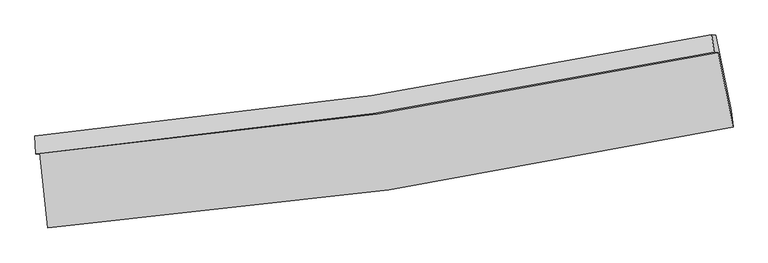
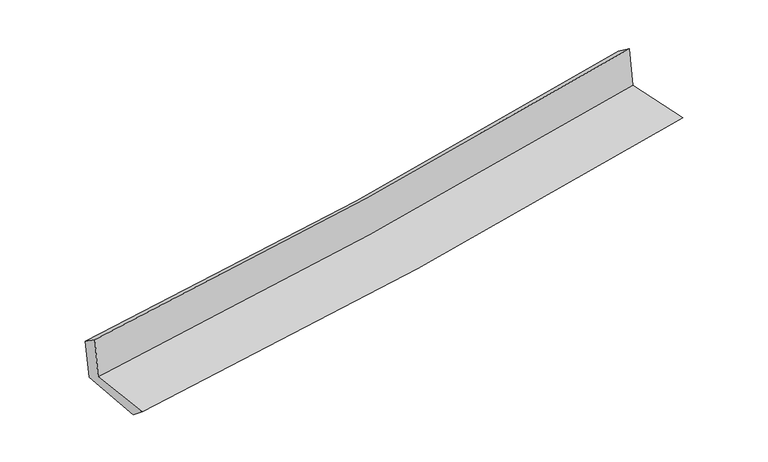
"""IFC4 building model written with IfcOpenShell, lengths in millimetres: proxy geometry."""

import ifcopenshell
import ifcopenshell.guid

model = None  # the IFC model being written
_history = None  # IfcOwnerHistory: only IFC2X3 demands one
_inside = {}  # id of a spatial element -> (the spatial element, [elements in it])
_under = {}  # id of a project, library or spatial element -> (it, [spatial elements below it])
_declared = {}  # id of a project -> (the project, [libraries it declares])
_typed = {}  # id of a type object -> (the type object, [elements of that type])
_made_of = {}  # id of a material, layer set ... -> (it, [elements and type objects made of it])


def new_model(schema):
    """Start an empty IFC model of exactly this schema.

    Asked for "IFC4X3", IfcOpenShell would pick the latest addendum, in which some entities
    have other attributes; the version numbers below select the first issue.
    IFC2X3 requires an IfcOwnerHistory on every rooted entity: one is made here for all.
    """
    global model, _history
    if schema == "IFC4X3":
        model = ifcopenshell.file(schema_version=(4, 3, 0, 0))
    else:
        model = ifcopenshell.file(schema=schema)
    _inside.clear()
    _under.clear()
    _declared.clear()
    _typed.clear()
    _made_of.clear()
    _history = None
    if model.schema == "IFC2X3":
        org = make("IfcOrganization", Name="unknown")
        user = make(
            "IfcPersonAndOrganization",
            ThePerson=make("IfcPerson", FamilyName="unknown"),
            TheOrganization=org,
        )
        app = make(
            "IfcApplication",
            ApplicationDeveloper=org,
            Version="unknown",
            ApplicationFullName="unknown",
            ApplicationIdentifier="unknown",
        )
        _history = make(
            "IfcOwnerHistory",
            OwningUser=user,
            OwningApplication=app,
            ChangeAction="ADDED",
            CreationDate=0,
        )
    return model


def make(cls, **values):
    """One entity of the class cls with the attributes given. An attribute that is None is left unset."""
    return model.create_entity(
        cls, **{name: value for name, value in values.items() if value is not None}
    )


def rooted(cls, **values):
    """An entity with a GlobalId (a new one), such as an element, a storey or a relation."""
    return make(cls, GlobalId=ifcopenshell.guid.new(), OwnerHistory=_history, **values)


def si_unit(unit_type, name, prefix=None):
    """IfcSIUnit, for example si_unit("LENGTHUNIT", "METRE", prefix="MILLI")."""
    return make("IfcSIUnit", UnitType=unit_type, Prefix=prefix, Name=name)


def assignment(units):
    """IfcUnitAssignment: the units of a project."""
    return None if units is None else make("IfcUnitAssignment", Units=units)


def point(xyz):
    """IfcCartesianPoint."""
    return None if xyz is None else make("IfcCartesianPoint", Coordinates=xyz)


def direction(xyz):
    """IfcDirection."""
    return None if xyz is None else make("IfcDirection", DirectionRatios=xyz)


def frame(location, z_axis=None, x_axis=None):
    """IfcAxis2Placement3D, a coordinate frame: its origin and axes. An axis left out is left unset."""
    return make(
        "IfcAxis2Placement3D",
        Location=point(location),
        Axis=direction(z_axis),
        RefDirection=direction(x_axis),
    )


def origin():
    """The frame at (0, 0, 0) with its axes left unset."""
    return frame((0.0, 0.0, 0.0))


def place(relative_to, where):
    """IfcLocalPlacement: puts the frame where relative to a parent placement (None: the world)."""
    return make(
        "IfcLocalPlacement", PlacementRelTo=relative_to, RelativePlacement=where
    )


def context(
    kind, dimensions, precision=None, world=None, true_north=None, identifier=None
):
    """IfcGeometricRepresentationContext, for example the 3D "Model" context."""
    return make(
        "IfcGeometricRepresentationContext",
        ContextIdentifier=identifier,
        ContextType=kind,
        CoordinateSpaceDimension=dimensions,
        Precision=precision,
        WorldCoordinateSystem=world,
        TrueNorth=true_north,
    )


def project(units=None, contexts=None):
    """IfcProject with its units and contexts."""
    return rooted(
        "IfcProject",
        Name="project",
        RepresentationContexts=contexts,
        UnitsInContext=assignment(units),
    )


def spatial(cls, under=None, at=None, **own):
    """A site, building, storey or space (cls), placed at a placement, below another one or the project."""
    s = rooted(cls, ObjectPlacement=at, **own)
    if under is not None:
        _under.setdefault(under.id(), (under, []))[1].append(s)
    return s


def shape(context_of_items, identifier, shape_type, items):
    """IfcShapeRepresentation: the items that make up one representation, for example the "Body"."""
    return make(
        "IfcShapeRepresentation",
        ContextOfItems=context_of_items,
        RepresentationIdentifier=identifier,
        RepresentationType=shape_type,
        Items=items,
    )


def source(mapping_origin, context_of_items, identifier, shape_type, items):
    """IfcRepresentationMap: a shape defined once, which mapped items show again and again."""
    return make(
        "IfcRepresentationMap",
        MappingOrigin=mapping_origin,
        MappedRepresentation=shape(context_of_items, identifier, shape_type, items),
    )


def transform(
    local_origin,
    x_axis=None,
    y_axis=None,
    z_axis=None,
    scale=None,
    scale2=None,
    scale3=None,
    uniform=True,
):
    """IfcCartesianTransformationOperator3D, or its non-uniform kind. x_axis, y_axis, z_axis: its Axis1, 2, 3."""
    if uniform:
        return make(
            "IfcCartesianTransformationOperator3D",
            Axis1=direction(x_axis),
            Axis2=direction(y_axis),
            LocalOrigin=point(local_origin),
            Scale=scale,
            Axis3=direction(z_axis),
        )
    return make(
        "IfcCartesianTransformationOperator3DnonUniform",
        Axis1=direction(x_axis),
        Axis2=direction(y_axis),
        LocalOrigin=point(local_origin),
        Scale=scale,
        Axis3=direction(z_axis),
        Scale2=scale2,
        Scale3=scale3,
    )


def mapped(mapping_source, mapping_target):
    """IfcMappedItem: shows the shape of a source again, moved by a transform."""
    return make(
        "IfcMappedItem", MappingSource=mapping_source, MappingTarget=mapping_target
    )


def made_of(thing, what):
    """Note that an element or type object is made of a material, layer set ...; save() writes the relation."""
    if what is not None:
        _made_of.setdefault(what.id(), (what, []))[1].append(thing)
    return thing


def element(
    cls,
    number,
    at=None,
    inside=None,
    cuts=None,
    type_object=None,
    material=None,
    context=None,
    identifier="Body",
    shape_type=None,
    held_by="IfcProductDefinitionShape",
    body=None,
    shapes=None,
    **own,
):
    """One element of the class cls, such as IfcWall. Its Tag is "e" and its number.

    at: its placement. inside: the storey or other place that contains it. cuts: it is an
    opening in that element (IfcRelVoidsElement). A single representation is given by context,
    identifier, shape_type and body (its items); several are given by shapes. held_by: the class
    of the entity that holds the representations. save() writes the other relations.
    """
    e = rooted(cls, Tag="e%d" % number, ObjectPlacement=at, **own)
    if body is not None:
        shapes = [shape(context, identifier, shape_type, body)]
    if shapes is not None:
        e.Representation = make(held_by, Representations=shapes)
    if inside is not None:
        _inside.setdefault(inside.id(), (inside, []))[1].append(e)
    if cuts is not None:
        rooted(
            "IfcRelVoidsElement", RelatingBuildingElement=cuts, RelatedOpeningElement=e
        )
    if type_object is not None:
        _typed.setdefault(type_object.id(), (type_object, []))[1].append(e)
    return made_of(e, material)


def aggregate(whole, parts):
    """IfcRelAggregates: a whole, such as a stair, and the parts it consists of."""
    return rooted("IfcRelAggregates", RelatingObject=whole, RelatedObjects=parts)


def save(model, path):
    """Write the relations noted so far, then the file.

    IfcRelAggregates (storeys below a building ...), IfcRelContainedInSpatialStructure (elements
    in a storey), IfcRelDefinesByType, IfcRelAssociatesMaterial and IfcRelDeclares: one each for
    every whole, place, type object, material and project.
    """
    for whole, parts in _under.values():
        aggregate(whole, parts)
    for where, things in _inside.values():
        rooted(
            "IfcRelContainedInSpatialStructure",
            RelatedElements=things,
            RelatingStructure=where,
        )
    for kind, things in _typed.values():
        rooted("IfcRelDefinesByType", RelatedObjects=things, RelatingType=kind)
    for what, things in _made_of.values():
        rooted("IfcRelAssociatesMaterial", RelatedObjects=things, RelatingMaterial=what)
    for by, libraries in _declared.values():
        rooted("IfcRelDeclares", RelatingContext=by, RelatedDefinitions=libraries)
    model.write(path)


def plane_surface(at):
    """IfcPlane: the flat surface through the origin of the frame at, square to its z axis."""
    return make("IfcPlane", Position=at)


def spline_curve(degree, points, multiplicities, knots, weights=None):
    """IfcBSplineCurveWithKnots; with weights, IfcRationalBSplineCurveWithKnots."""
    own = dict(
        Degree=degree,
        ControlPointsList=[point(p) for p in points],
        CurveForm="UNSPECIFIED",
        ClosedCurve=False,
        SelfIntersect=False,
        KnotMultiplicities=multiplicities,
        Knots=knots,
        KnotSpec="UNSPECIFIED",
    )
    if weights is None:
        return make("IfcBSplineCurveWithKnots", **own)
    return make("IfcRationalBSplineCurveWithKnots", WeightsData=weights, **own)


def spline_surface(u_degree, v_degree, points, u_multiplicities, v_multiplicities, u_knots, v_knots, weights=None):
    """IfcBSplineSurfaceWithKnots; with weights, IfcRationalBSplineSurfaceWithKnots. points: one row for each step in u."""
    own = dict(
        UDegree=u_degree,
        VDegree=v_degree,
        ControlPointsList=[[point(p) for p in row] for row in points],
        SurfaceForm="UNSPECIFIED",
        UClosed=False,
        VClosed=False,
        SelfIntersect=False,
        UMultiplicities=u_multiplicities,
        VMultiplicities=v_multiplicities,
        UKnots=u_knots,
        VKnots=v_knots,
        KnotSpec="UNSPECIFIED",
    )
    if weights is None:
        return make("IfcBSplineSurfaceWithKnots", **own)
    return make("IfcRationalBSplineSurfaceWithKnots", WeightsData=weights, **own)


def advanced_brep(points, edges, surfaces, faces):
    """IfcAdvancedBrep: a solid bounded by faces that lie on surfaces and meet in shared edges.

    An edge is (start, end): straight between two places in points (the first is 0);
    or (start, end, curve); or (start, end, curve, False) where it runs against its curve.
    A face is (place in surfaces, loops), or (place, loops, False) where it looks against
    its surface's normal. A loop lists edges by number (the first is 1), with a minus sign
    where the edge is run from its end to its start. The first loop is the outer one.
    """
    corners = [point(p) for p in points]
    vertices = [make("IfcVertexPoint", VertexGeometry=c) for c in corners]
    made = []
    for start, end, *more in edges:
        made.append(
            make(
                "IfcEdgeCurve",
                EdgeStart=vertices[start],
                EdgeEnd=vertices[end],
                EdgeGeometry=more[0] if more else make("IfcPolyline", Points=[corners[start], corners[end]]),
                SameSense=more[1] if len(more) > 1 else True,
            )
        )
    hull = []
    for where, loops, *sense in faces:
        bounds = []
        for j, loop in enumerate(loops):
            ring = [make("IfcOrientedEdge", EdgeElement=made[abs(k) - 1], Orientation=k > 0) for k in loop]
            bounds.append(
                make(
                    "IfcFaceOuterBound" if j == 0 else "IfcFaceBound",
                    Bound=make("IfcEdgeLoop", EdgeList=ring),
                    Orientation=True,
                )
            )
        hull.append(make("IfcAdvancedFace", Bounds=bounds, FaceSurface=surfaces[where], SameSense=sense[0] if sense else True))
    return make("IfcAdvancedBrep", Outer=make("IfcClosedShell", CfsFaces=hull))


def generic_models_96975df0(model_context):
    return source(origin(), model_context, "Body", "AdvancedBrep", [
        advanced_brep(
        [(-2979.5276885, -1915.6291641, 1619.7438464), (-2908.8285761, -2570.2885824, 1616.8277577), (3073.9839268, -1688.9446782, 2137.1252097), (2943.8674359, -1036.7612686, 2134.9796767), (-3014.2561984, -1922.3998152, 2035.0784989), (2907.9606317, -1033.5553438, 2535.4555818), (-3021.587753, -1768.5491886, 1927.0213033), (2887.5342222, -881.8110636, 2423.1252641), (-2987.440385, -1772.320294, 1531.7824287), (2920.584652, -885.1272582, 2055.3359048), (-2914.4716088, -2423.5684439, 1497.980057), (3056.0850653, -1544.0110754, 2011.5451606)],
        [
            (0, 1),
            (1, 2, spline_curve(3, [(-2908.8285761, -2570.2885824, 1616.8277577), (-1912.265940727, -2492.732899791, 1723.197019027), (-919.578070573, -2381.413997216, 1819.460765868), (1074.825365811, -2088.788138929, 1993.239080159), (2076.408329869, -1906.325740182, 2070.407817494), (3073.9839268, -1688.9446782, 2137.1252097)], [4, 2, 4], [0.0, 9.830676473195815, 19.82815036493777])),
            (2, 3),
            (3, 0, spline_curve(3, [(2943.8674359, -1036.7612686, 2134.9796767), (1956.14425618, -1248.551733518, 2069.179119833), (964.481164155, -1428.032528213, 1992.893872303), (-1010.114247436, -1719.919380761, 1820.801661962), (-1992.916196675, -1833.394551034, 1725.341632611), (-2979.5276885, -1915.6291641, 1619.7438464)], [4, 2, 4], [0.0, 9.997473891741954, 19.82815036493777])),
            (4, 0),
            (3, 5),
            (5, 4, spline_curve(3, [(2907.9606317, -1033.5553438, 2535.4555818), (1920.499356157, -1243.558638414, 2467.180666003), (929.065964967, -1422.998792614, 2390.927795625), (-1045.137747282, -1718.268961984, 2223.871447401), (-2027.776632736, -1835.110298405, 2133.331957096), (-3014.2561984, -1922.3998152, 2035.0784989)], [4, 2, 4], [0.0, 9.946826957870067, 19.72770148843064])),
            (6, 4),
            (5, 7),
            (7, 6, spline_curve(3, [(2887.5342222, -881.8110636, 2423.1252641), (1902.837747808, -1088.108735522, 2344.636471737), (913.88480258, -1265.53316991, 2263.681732905), (-1055.96336738, -1560.157141997, 2098.232148578), (-2036.717747158, -1678.312082549, 2013.818900882), (-3021.587753, -1768.5491886, 1927.0213033)], [4, 2, 4], [0.0, 9.934886028041852, 19.704018850726868])),
            (8, 6),
            (7, 9),
            (9, 8, spline_curve(3, [(2920.584652, -885.1272582, 2055.3359048), (1936.334521679, -1091.537935367, 1969.318153022), (947.695826814, -1269.056946863, 1882.304495277), (-1021.791067718, -1563.83194618, 1707.753716043), (-2002.494051998, -1682.043946809, 1620.249548324), (-2987.440385, -1772.320294, 1531.7824287)], [4, 2, 4], [0.0, 9.924329960905101, 19.68308283341726])),
            (10, 8),
            (9, 11),
            (11, 10, spline_curve(3, [(3056.0850653, -1544.0110754, 2011.5451606), (2060.052858507, -1743.682280768, 1922.834422415), (1060.273672552, -1917.212847316, 1835.33202579), (-930.035871559, -2209.533654366, 1664.183641466), (-1920.442243279, -2329.188877534, 1580.497670291), (-2914.4716088, -2423.5684439, 1497.980057)], [4, 2, 4], [0.0, 9.974277108956978, 19.78214381348048])),
            (1, 10),
            (11, 2),
        ],
        [
            spline_surface(3, 3, [[(-2979.5276885, -1915.6291641, 1619.7438464), (-1992.916196772, -1833.394551155, 1725.341632614), (-1010.114247356, -1719.91938071, 1820.801661852), (964.481164074, -1428.032528265, 1992.893872414), (1956.144256111, -1248.551733538, 2069.179119923), (2943.8674359, -1036.7612686, 2134.9796767)], [(-2955.961317708, -2133.848970228, 1618.771816857), (-1966.03277814, -2053.174000719, 1724.626761437), (-979.935521741, -1940.417586226, 1820.354696529), (1001.262564645, -1648.284398506, 1993.008941691), (1996.232280642, -1467.809735745, 2069.588685746), (2987.239599518, -1254.15573848, 2135.694854356)], [(-2932.394946892, -2352.068776272, 1617.799787243), (-1939.149359485, -2272.953450199, 1723.911890191), (-949.756796146, -2160.915791691, 1819.907731156), (1038.043965197, -1868.536268696, 1993.124010919), (2036.320305217, -1687.06773791, 2069.998251601), (3030.611763182, -1471.55020832, 2136.410032044)], [(-2908.8285761, -2570.2885824, 1616.8277577), (-1912.265940852, -2492.732899764, 1723.197019014), (-919.578070531, -2381.413997208, 1819.460765833), (1074.825365768, -2088.788138937, 1993.239080195), (2076.408329748, -1906.325740117, 2070.407817424), (3073.9839268, -1688.9446782, 2137.1252097)]], [4, 4], [4, 2, 4], [0.0, 2.1939951448031647], [0.0, 9.830676473195815, 19.82815036493777]),
            spline_surface(3, 3, [[(-3014.2561984, -1922.3998152, 2035.0784989), (-2027.776632692, -1835.110298498, 2133.331957222), (-1045.137747284, -1718.268962114, 2223.871447526), (929.065964969, -1422.998792482, 2390.927795498), (1920.499356276, -1243.558638374, 2467.180666168), (2907.9606317, -1033.5553438, 2535.4555818)], [(-3002.680028436, -1920.142931492, 1896.633614713), (-2016.156487388, -1834.538382709, 1997.335182332), (-1033.463247298, -1718.819101635, 2089.514852297), (940.871031347, -1424.676704399, 2258.249821132), (1932.380989566, -1245.223003411, 2334.51348408), (2919.929566445, -1034.623985382, 2401.963613427)], [(-2991.103858464, -1917.886047808, 1758.188730587), (-2004.536342076, -1833.966466943, 1861.338407503), (-1021.788747342, -1719.369241188, 1955.158257081), (952.676097695, -1426.354616348, 2125.571846779), (1944.26262282, -1246.887368501, 2201.846302011), (2931.898501155, -1035.692627018, 2268.471645073)], [(-2979.5276885, -1915.6291641, 1619.7438464), (-1992.916196772, -1833.394551155, 1725.341632614), (-1010.114247356, -1719.91938071, 1820.801661852), (964.481164074, -1428.032528265, 1992.893872414), (1956.144256111, -1248.551733538, 2069.179119923), (2943.8674359, -1036.7612686, 2134.9796767)]], [4, 4], [4, 2, 4], [0.0, 1.319127217702416], [0.0, 9.780874530560572, 19.72770148843064]),
            spline_surface(3, 3, [[(-3021.587753, -1768.5491886, 1927.0213033), (-2036.717747047, -1678.312082689, 2013.818900757), (-1055.963367321, -1560.157142124, 2098.23214874), (913.88480252, -1265.533169781, 2263.68173274), (1902.837747796, -1088.108735381, 2344.636471724), (2887.5342222, -881.8110636, 2423.1252641)], [(-3019.143901453, -1819.832730779, 1963.040368494), (-2033.737375582, -1730.578154605, 2053.656586239), (-1052.35482732, -1612.861082126, 2140.111915003), (918.945189992, -1318.021710687, 2306.097086993), (1908.724950596, -1139.925369721, 2385.484536545), (2894.34302534, -932.392490343, 2460.56870334)], [(-3016.700049947, -1871.116273021, 1999.059433706), (-2030.757004157, -1782.844226582, 2093.494271739), (-1048.746287285, -1665.565022112, 2181.991681264), (924.005577497, -1370.510251576, 2348.512441245), (1914.612153476, -1191.742004034, 2426.332601347), (2901.15182856, -982.973917057, 2498.01214256)], [(-3014.2561984, -1922.3998152, 2035.0784989), (-2027.776632692, -1835.110298498, 2133.331957222), (-1045.137747284, -1718.268962114, 2223.871447526), (929.065964969, -1422.998792482, 2390.927795498), (1920.499356276, -1243.558638374, 2467.180666168), (2907.9606317, -1033.5553438, 2535.4555818)]], [4, 4], [4, 2, 4], [0.0, 0.6647760218124106], [0.0, 9.769132822685016, 19.704018850726868]),
            spline_surface(3, 3, [[(-2987.440385, -1772.320294, 1531.7824287), (-2002.494052048, -1682.043946731, 1620.249548273), (-1021.791067773, -1563.831946255, 1707.753715932), (947.69582687, -1269.056946787, 1882.30449539), (1936.334521621, -1091.537935315, 1969.318153091), (2920.584652, -885.1272582, 2055.3359048)], [(-2998.822841015, -1771.063258891, 1663.52872025), (-2013.901950397, -1680.799992075, 1751.43933245), (-1033.18183428, -1562.607011548, 1837.913193522), (936.425485429, -1267.882354454, 2009.430241161), (1925.168930377, -1090.394868671, 2094.424259298), (2909.567842097, -884.021860001, 2177.932357896)], [(-3010.205296985, -1769.806223709, 1795.27501175), (-2025.309848699, -1679.556037345, 1882.629116579), (-1044.572600815, -1561.382076832, 1968.07267115), (925.155143961, -1266.707762114, 2136.555986969), (1914.003339041, -1089.251802025, 2219.530365516), (2898.551032103, -882.916461799, 2300.528811004)], [(-3021.587753, -1768.5491886, 1927.0213033), (-2036.717747047, -1678.312082689, 2013.818900757), (-1055.963367321, -1560.157142124, 2098.23214874), (913.88480252, -1265.533169781, 2263.68173274), (1902.837747796, -1088.108735381, 2344.636471724), (2887.5342222, -881.8110636, 2423.1252641)]], [4, 4], [4, 2, 4], [0.0, 1.27087194287055], [0.0, 9.758752872512158, 19.68308283341726]),
            spline_surface(3, 3, [[(-2914.4716088, -2423.5684439, 1497.980057), (-1920.44224343, -2329.188877662, 1580.49767023), (-930.035871459, -2209.533654481, 1664.183641437), (1060.273672451, -1917.212847199, 1835.33202582), (2060.052858541, -1743.682280853, 1922.83442248), (3056.0850653, -1544.0110754, 2011.5451606)], [(-2938.794534213, -2206.485727254, 1509.24751422), (-1947.792846315, -2113.473900672, 1593.74829623), (-960.620936912, -1994.299751724, 1678.706999629), (1022.747723909, -1701.16088038, 1850.989515703), (2018.813412889, -1526.300832322, 1938.328999341), (3010.918260854, -1324.383136314, 2026.142075323)], [(-2963.117459587, -1989.403010646, 1520.51497148), (-1975.143449163, -1897.75892372, 1606.998922272), (-991.20600232, -1779.065849012, 1693.23035774), (985.221775412, -1485.108913606, 1866.647005506), (1977.573967273, -1308.919383847, 1953.823576231), (2965.751456446, -1104.755197286, 2040.738990077)], [(-2987.440385, -1772.320294, 1531.7824287), (-2002.494052048, -1682.043946731, 1620.249548273), (-1021.791067773, -1563.831946255, 1707.753715932), (947.69582687, -1269.056946787, 1882.30449539), (1936.334521621, -1091.537935315, 1969.318153091), (2920.584652, -885.1272582, 2055.3359048)]], [4, 4], [4, 2, 4], [0.0, 2.154066207732176], [0.0, 9.807866704523503, 19.78214381348048]),
            spline_surface(3, 3, [[(-2908.8285761, -2570.2885824, 1616.8277577), (-1912.265940852, -2492.732899764, 1723.197019014), (-919.578070531, -2381.413997208, 1819.460765833), (1074.825365768, -2088.788138937, 1993.239080195), (2076.408329748, -1906.325740117, 2070.407817424), (3073.9839268, -1688.9446782, 2137.1252097)], [(-2910.709586975, -2521.381869554, 1577.211857467), (-1914.99137502, -2438.218225717, 1675.63056942), (-923.064004174, -2324.120549632, 1767.70172434), (1069.974801329, -2031.596375025, 1940.603395376), (2070.956506024, -1852.111253709, 2021.2166858), (3068.017639645, -1640.63347728, 2095.265193357)], [(-2912.590597925, -2472.475156746, 1537.595957233), (-1917.716809262, -2383.703551708, 1628.064119824), (-926.549937816, -2266.827102057, 1715.942682929), (1065.12423689, -1974.404611112, 1887.967710639), (2065.504682265, -1797.896767262, 1972.025554105), (3062.051352455, -1592.32227632, 2053.405176943)], [(-2914.4716088, -2423.5684439, 1497.980057), (-1920.44224343, -2329.188877662, 1580.49767023), (-930.035871459, -2209.533654481, 1664.183641437), (1060.273672451, -1917.212847199, 1835.33202582), (2060.052858541, -1743.682280853, 1922.83442248), (3056.0850653, -1544.0110754, 2011.5451606)]], [4, 4], [4, 2, 4], [0.0, 0.7636214693866785], [0.0, 9.867101994690682, 19.90161944097651]),
            plane_surface(frame((2965.0026556, -1178.368448, 2216.2611329), z_axis=(0.976982676527595, 0.1951999151156934, 0.08603396366437717), x_axis=(-0.08949813032880213, 0.008980010818814962, 0.995946506632431))),
            plane_surface(frame((-2971.0187016, -2062.1259147, 1704.738982), z_axis=(-0.9906970974128011, -0.10661234356962682, -0.08457582028241253), x_axis=(-0.10736838605860098, 0.9942094434638882, 0.0044285666300705575))),
        ],
        [
            (0, [[1, 2, 3, 4]]),
            (1, [[5, -4, 6, 7]]),
            (2, [[8, -7, 9, 10]]),
            (3, [[11, -10, 12, 13]]),
            (4, [[14, -13, 15, 16]]),
            (5, [[17, -16, 18, -2]]),
            (6, [[-12, -9, -6, -3, -18, -15]]),
            (7, [[-1, -5, -8, -11, -14, -17]]),
        ],
    ),
    ])


if __name__ == "__main__":
    model = new_model("IFC4")
    model_context = context("Model", 3, world=origin())
    ifc_project = project(units=[si_unit("LENGTHUNIT", "METRE", prefix="MILLI")], contexts=[model_context])
    site = spatial("IfcSite", under=ifc_project)
    building = spatial("IfcBuilding", under=site)
    placement = place(None, origin())
    generic_models_shape = generic_models_96975df0(model_context)
    element("IfcBuildingElementProxy", 1, Name="Generic Models", at=placement, inside=building, context=model_context, shape_type="MappedRepresentation", body=[
        mapped(generic_models_shape, transform((0.0, 0.0, 0.0), x_axis=(1.0, 0.0, 0.0), y_axis=(0.0, 1.0, 0.0), z_axis=(0.0, 0.0, 1.0))),
    ])
    save(model, "model.ifc")
